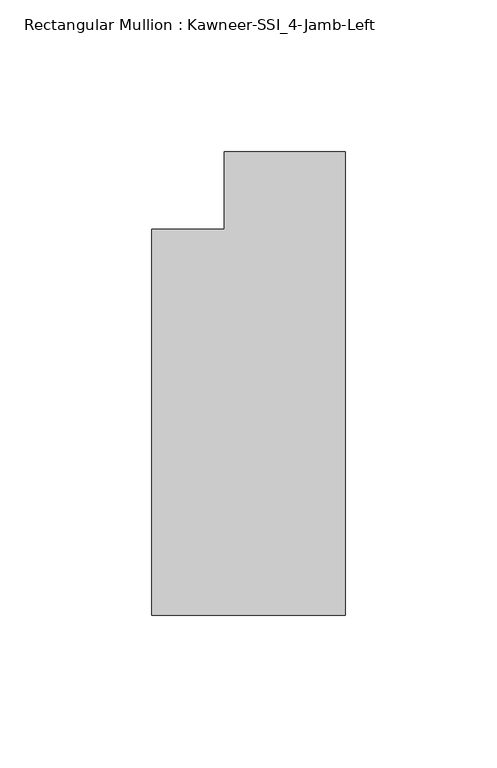
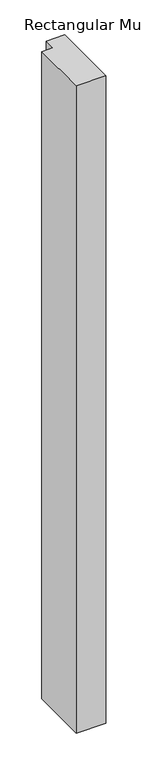
"""IFC4 building model written with IfcOpenShell, lengths in millimetres: member geometry, Rectangular Mullion : Kawneer-SSI_4-Jamb-Left."""

from ifc_helpers import new_model, si_unit, frame, origin, place, context, project, spatial, polyline, outline, extrude, source, transform, mapped, element, save


def rectangular_mullion_kawneer_ssi_4_jamb_left_18e16dff(model_context):
    return source(origin(), model_context, "Body", "SweptSolid", [
        extrude(outline(polyline([(0.0, -139.7), (-63.5, -139.7), (-63.5, -12.7), (-39.6875, -12.7), (-39.6875, 12.7), (0.0, 12.7), (0.0, -139.7)])), frame((0.0, 0.0, -1460.5), z_axis=(0.0, 0.0, 1.0), x_axis=(1.0, 0.0, 0.0)), (0.0, 0.0, 1.0), 1460.5),
    ])


if __name__ == "__main__":
    model = new_model("IFC4")
    model_context = context("Model", 3, world=origin())
    ifc_project = project(units=[si_unit("LENGTHUNIT", "METRE", prefix="MILLI")], contexts=[model_context])
    site = spatial("IfcSite", under=ifc_project)
    building = spatial("IfcBuilding", under=site)
    placement = place(None, origin())
    rectangular_mullion_kawneer_ssi_4_jamb_left_shape = rectangular_mullion_kawneer_ssi_4_jamb_left_18e16dff(model_context)
    element("IfcMember", 1, ObjectType="Rectangular Mullion : Kawneer-SSI_4-Jamb-Left", at=placement, inside=building, context=model_context, shape_type="MappedRepresentation", body=[
        mapped(rectangular_mullion_kawneer_ssi_4_jamb_left_shape, transform((0.0, 0.0, 0.0), x_axis=(1.0, 0.0, 0.0), y_axis=(0.0, 1.0, 0.0), z_axis=(0.0, 0.0, 1.0))),
    ])
    save(model, "model.ifc")
